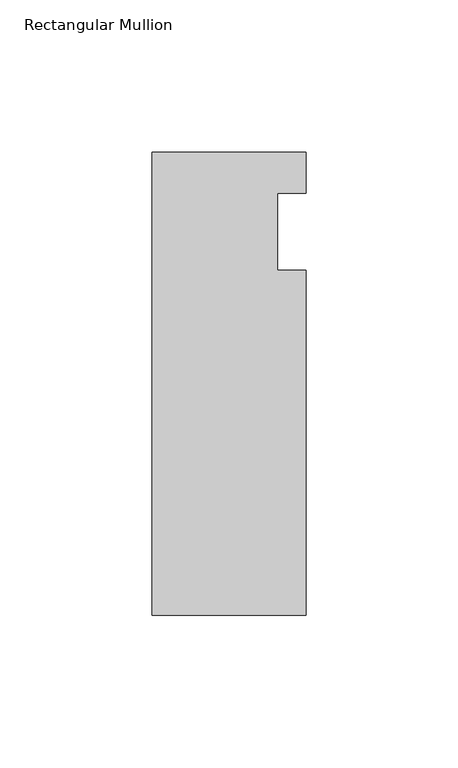
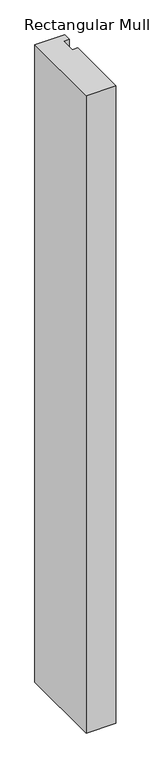
"""IFC4 building model written with IfcOpenShell, lengths in millimetres: member geometry, Rectangular Mullion."""

from ifc_helpers import new_model, si_unit, frame, origin, place, context, project, spatial, polyline, outline, extrude, source, transform, mapped, element, save


def rectangular_mullion_f4ab3896(model_context):
    return source(origin(), model_context, "Body", "SweptSolid", [
        extrude(outline(polyline([(-25.4, 26.19375), (25.4, 26.19375), (25.4, 12.7), (15.875, 12.7), (15.875, -12.7), (25.4, -12.7), (25.4, -126.20625), (-25.4, -126.20625), (-25.4, 26.19375)])), frame((0.0, 0.0, -1155.7), z_axis=(0.0, 0.0, 1.0), x_axis=(1.0, 0.0, 0.0)), (0.0, 0.0, 1.0), 1155.7),
    ])


if __name__ == "__main__":
    model = new_model("IFC4")
    model_context = context("Model", 3, world=origin())
    ifc_project = project(units=[si_unit("LENGTHUNIT", "METRE", prefix="MILLI")], contexts=[model_context])
    site = spatial("IfcSite", under=ifc_project)
    building = spatial("IfcBuilding", under=site)
    placement = place(None, origin())
    rectangular_mullion_shape = rectangular_mullion_f4ab3896(model_context)
    element("IfcMember", 1, ObjectType="Rectangular Mullion", at=placement, inside=building, context=model_context, shape_type="MappedRepresentation", body=[
        mapped(rectangular_mullion_shape, transform((0.0, 0.0, 0.0), x_axis=(1.0, 0.0, 0.0), y_axis=(0.0, 1.0, 0.0), z_axis=(0.0, 0.0, 1.0))),
    ])
    save(model, "model.ifc")
